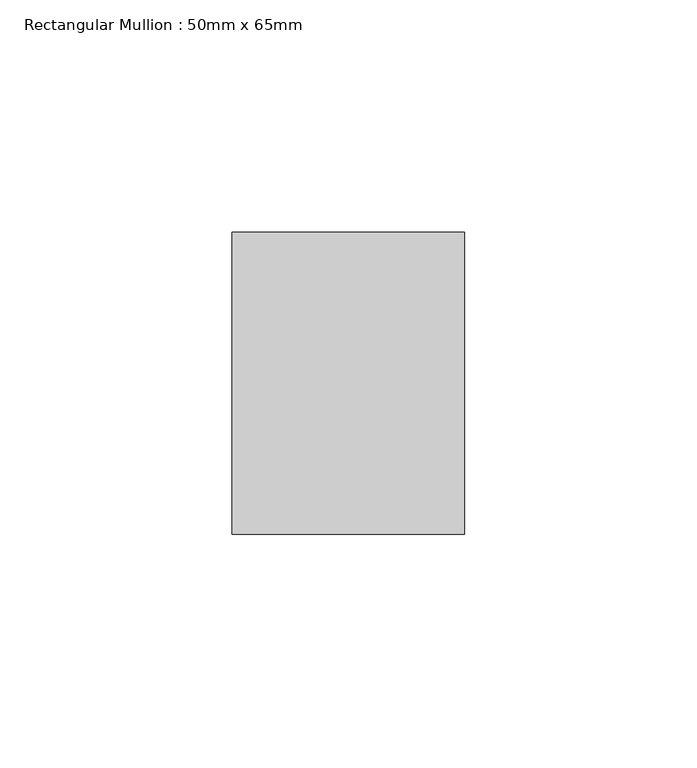
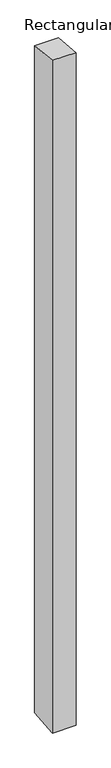
"""IFC4 building model written with IfcOpenShell, lengths in millimetres: member geometry, Rectangular Mullion : 50mm x 65mm."""

from ifc_helpers import new_model, si_unit, origin, place, context, project, spatial, faceted_brep, source, transform, mapped, element, save


def rectangular_mullion_50mm_x_65mm_16c73903(model_context):
    return source(origin(), model_context, "Body", "Brep", [
        faceted_brep([(-25.0, 32.5, -3.3716835), (25.0, 32.5, -3.3716791), (25.0, 32.5, -1496.852557), (-25.0, 32.5, -1496.8525529), (-25.0, -32.5, 3.3716791), (-25.0, -32.5, -1503.1464244), (25.0, -32.5, 3.3716835), (25.0, -32.5, -1503.1464285)], [[[0, 1, 2, 3]], [[4, 0, 3, 5]], [[6, 4, 5, 7]], [[1, 6, 7, 2]], [[1, 0, 4, 6]], [[2, 7, 5, 3]]]),
    ])


if __name__ == "__main__":
    model = new_model("IFC4")
    model_context = context("Model", 3, world=origin())
    ifc_project = project(units=[si_unit("LENGTHUNIT", "METRE", prefix="MILLI")], contexts=[model_context])
    site = spatial("IfcSite", under=ifc_project)
    building = spatial("IfcBuilding", under=site)
    placement = place(None, origin())
    rectangular_mullion_50mm_x_65mm_shape = rectangular_mullion_50mm_x_65mm_16c73903(model_context)
    element("IfcMember", 1, ObjectType="Rectangular Mullion : 50mm x 65mm", at=placement, inside=building, context=model_context, shape_type="MappedRepresentation", body=[
        mapped(rectangular_mullion_50mm_x_65mm_shape, transform((0.0, 0.0, 0.0), x_axis=(1.0, 0.0, 0.0), y_axis=(0.0, 1.0, 0.0), z_axis=(0.0, 0.0, 1.0))),
    ])
    save(model, "model.ifc")
